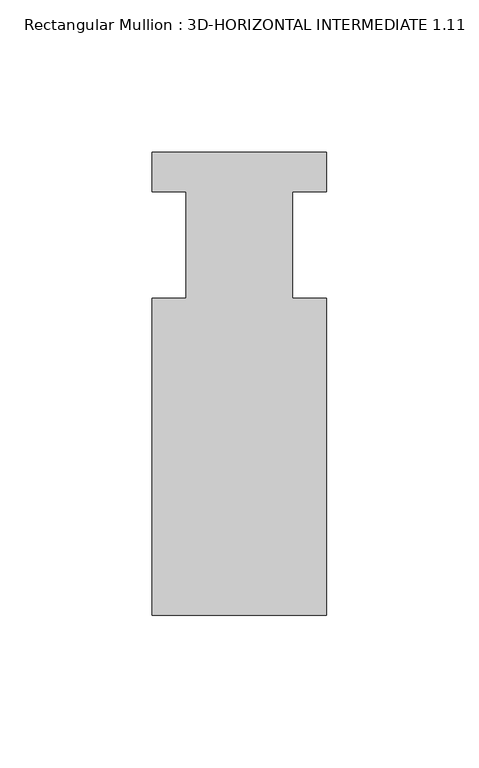
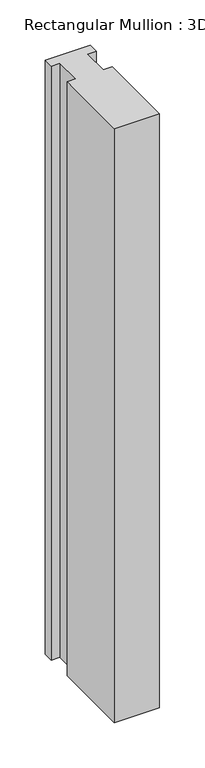
"""IFC4 building model written with IfcOpenShell, lengths in millimetres: member geometry, Rectangular Mullion : 3D-HORIZONTAL INTERMEDIATE 1.11."""

from ifc_helpers import new_model, si_unit, frame, origin, place, context, project, spatial, polyline, outline, extrude, source, transform, mapped, element, save


def rectangular_mullion_3d_horizontal_intermediate_1_11_edfbcdda(model_context):
    return source(origin(), model_context, "Body", "SweptSolid", [
        extrude(outline(polyline([(28.575, 75.8444), (28.575, 62.9771117), (17.4625, 62.9771117), (17.4625, 28.0162), (28.575, 28.0162), (28.575, -75.8444), (-28.575, -75.8444), (-28.575, 28.0162), (-17.4625, 28.0162), (-17.4625, 62.9771117), (-28.575, 62.9771117), (-28.575, 75.8444), (28.575, 75.8444)])), frame((0.0, 0.0, -798.909382), z_axis=(0.0, 0.0, 1.0), x_axis=(1.0, 0.0, 0.0)), (0.0, 0.0, 1.0), 798.909382),
    ])


if __name__ == "__main__":
    model = new_model("IFC4")
    model_context = context("Model", 3, world=origin())
    ifc_project = project(units=[si_unit("LENGTHUNIT", "METRE", prefix="MILLI")], contexts=[model_context])
    site = spatial("IfcSite", under=ifc_project)
    building = spatial("IfcBuilding", under=site)
    placement = place(None, origin())
    rectangular_mullion_3d_horizontal_intermediate_1_11_shape = rectangular_mullion_3d_horizontal_intermediate_1_11_edfbcdda(model_context)
    element("IfcMember", 1, ObjectType="Rectangular Mullion : 3D-HORIZONTAL INTERMEDIATE 1.11", at=placement, inside=building, context=model_context, shape_type="MappedRepresentation", body=[
        mapped(rectangular_mullion_3d_horizontal_intermediate_1_11_shape, transform((0.0, 0.0, 0.0), x_axis=(1.0, 0.0, 0.0), y_axis=(0.0, 1.0, 0.0), z_axis=(0.0, 0.0, 1.0))),
    ])
    save(model, "model.ifc")
